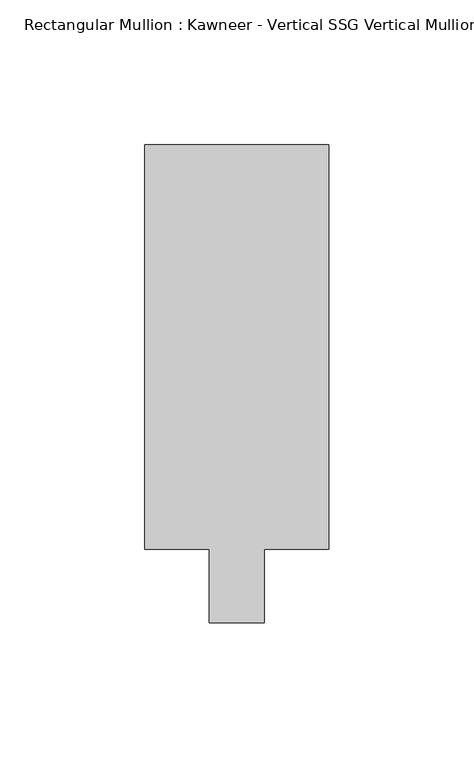
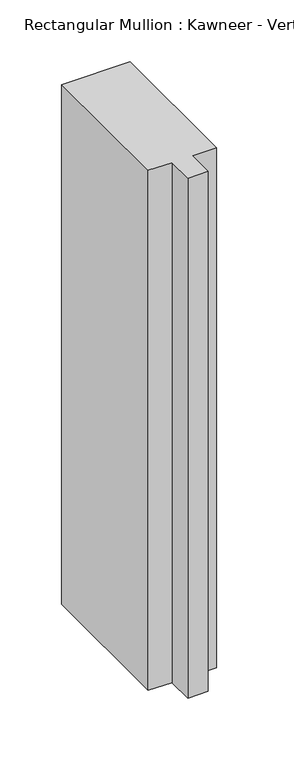
"""IFC4 building model written with IfcOpenShell, lengths in millimetres: member geometry."""

from ifc_helpers import new_model, si_unit, frame, origin, place, context, project, spatial, polyline, outline, extrude, source, transform, mapped, element, save


def member_7ccc5b04(model_context):
    return source(origin(), model_context, "Body", "SweptSolid", [
        extrude(outline(polyline([(-31.75, 12.7), (-31.75, 152.399995), (31.75, 152.399995), (31.75, 12.7), (9.5251132, 12.7), (9.5251132, -12.7), (-9.5251132, -12.7), (-9.5251132, 12.7), (-31.75, 12.7)])), frame((0.0, 0.0, -512.3791987), z_axis=(0.0, 0.0, 1.0), x_axis=(1.0, 0.0, 0.0)), (0.0, 0.0, 1.0), 512.3791987),
    ])


if __name__ == "__main__":
    model = new_model("IFC4")
    model_context = context("Model", 3, world=origin())
    ifc_project = project(units=[si_unit("LENGTHUNIT", "METRE", prefix="MILLI")], contexts=[model_context])
    site = spatial("IfcSite", under=ifc_project)
    building = spatial("IfcBuilding", under=site)
    placement = place(None, origin())
    member_shape = member_7ccc5b04(model_context)
    element("IfcMember", 1, ObjectType="Rectangular Mullion : Kawneer - Vertical SSG Vertical Mullion - 7 1/2\"", at=placement, inside=building, context=model_context, shape_type="MappedRepresentation", body=[
        mapped(member_shape, transform((0.0, 0.0, 0.0), x_axis=(1.0, 0.0, 0.0), y_axis=(0.0, 1.0, 0.0), z_axis=(0.0, 0.0, 1.0))),
    ])
    save(model, "model.ifc")
